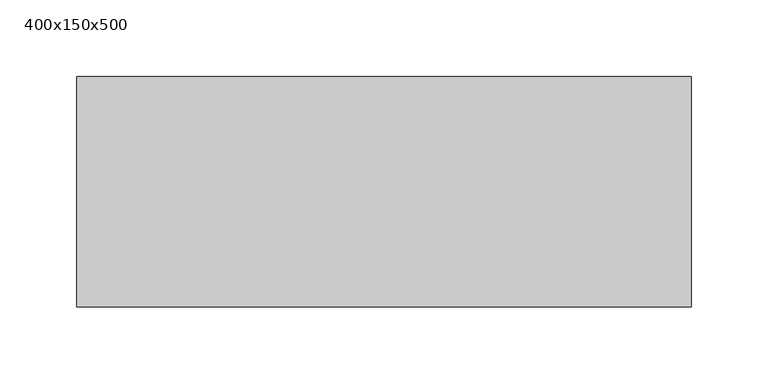
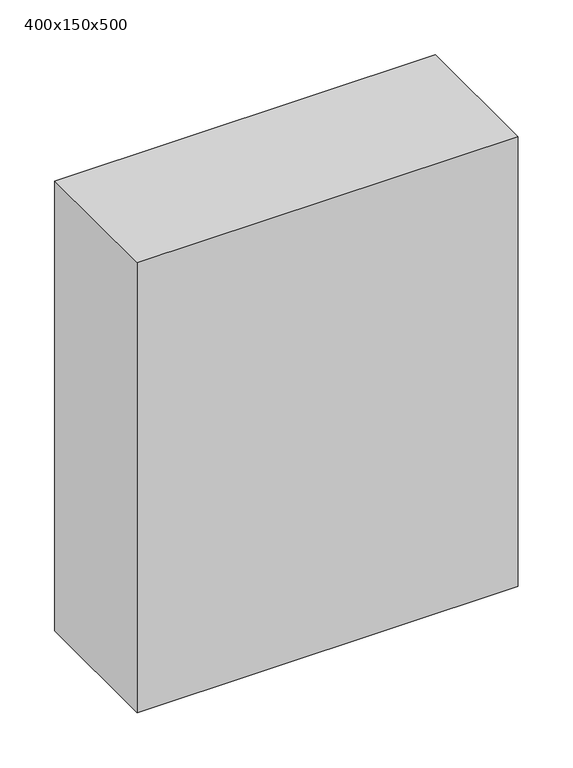
"""IFC4 building model written with IfcOpenShell, lengths in millimetres: proxy geometry, 400x150x500."""

from ifc_helpers import new_model, si_unit, frame, origin, place, context, project, spatial, polyline, outline, extrude, source, transform, mapped, element, save


def proxy_400x150x500_4e59c99a(model_context):
    return source(origin(), model_context, "Body", "SweptSolid", [
        extrude(outline(polyline([(325.0, 250.0), (325.0, 100.0), (-75.0, 100.0), (-75.0, 250.0), (325.0, 250.0)])), frame((0.0, 0.0, 800.0), z_axis=(0.0, 0.0, 1.0), x_axis=(1.0, 0.0, 0.0)), (0.0, 0.0, 1.0), 500.0),
    ])


if __name__ == "__main__":
    model = new_model("IFC4")
    model_context = context("Model", 3, world=origin())
    ifc_project = project(units=[si_unit("LENGTHUNIT", "METRE", prefix="MILLI")], contexts=[model_context])
    site = spatial("IfcSite", under=ifc_project)
    building = spatial("IfcBuilding", under=site)
    placement = place(None, origin())
    proxy_400x150x500_shape = proxy_400x150x500_4e59c99a(model_context)
    element("IfcBuildingElementProxy", 1, Name="400x150x500", ObjectType="400x150x500", at=placement, inside=building, context=model_context, shape_type="MappedRepresentation", body=[
        mapped(proxy_400x150x500_shape, transform((0.0, 0.0, 0.0), x_axis=(1.0, 0.0, 0.0), y_axis=(0.0, 1.0, 0.0), z_axis=(0.0, 0.0, 1.0))),
    ])
    save(model, "model.ifc")
